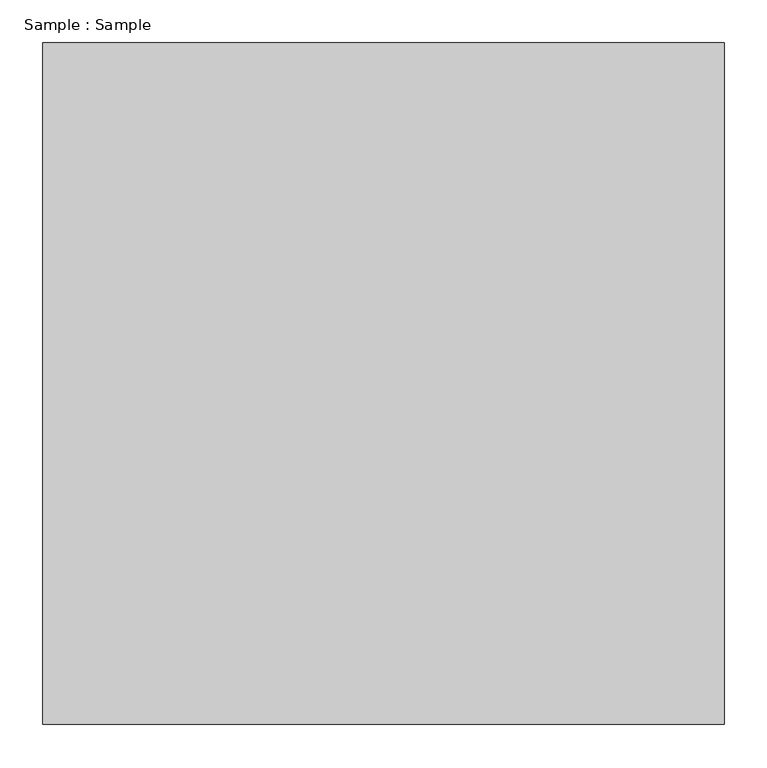
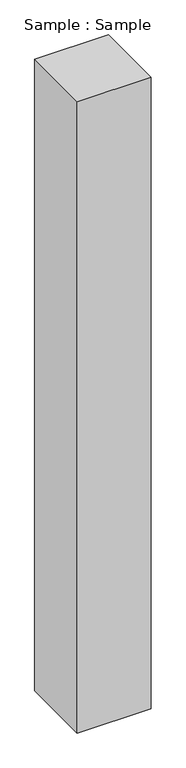
"""IFC4 building model written with IfcOpenShell, lengths in millimetres: proxy geometry, Sample : Sample."""

from ifc_helpers import new_model, si_unit, origin, origin_with_axes, place, context, project, spatial, polyline, outline, extrude, source, transform, mapped, element, save


def sample_sample_3346ee0e(model_context):
    return source(origin(), model_context, "Body", "SweptSolid", [
        extrude(outline(polyline([(400.0, 400.0), (400.0, -400.0), (-400.0, -400.0), (-400.0, 400.0), (400.0, 400.0)])), origin_with_axes(), (0.0, 0.0, 1.0), 7241.3793103),
    ])


if __name__ == "__main__":
    model = new_model("IFC4")
    model_context = context("Model", 3, world=origin())
    ifc_project = project(units=[si_unit("LENGTHUNIT", "METRE", prefix="MILLI")], contexts=[model_context])
    site = spatial("IfcSite", under=ifc_project)
    building = spatial("IfcBuilding", under=site)
    placement = place(None, origin())
    sample_sample_shape = sample_sample_3346ee0e(model_context)
    element("IfcBuildingElementProxy", 1, Name="Sample : Sample", ObjectType="Sample : Sample", at=placement, inside=building, context=model_context, shape_type="MappedRepresentation", body=[
        mapped(sample_sample_shape, transform((0.0, 0.0, 0.0), x_axis=(1.0, 0.0, 0.0), y_axis=(0.0, 1.0, 0.0), z_axis=(0.0, 0.0, 1.0))),
    ])
    save(model, "model.ifc")
